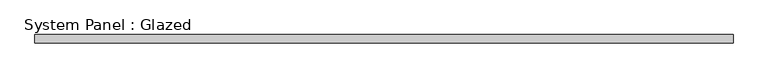
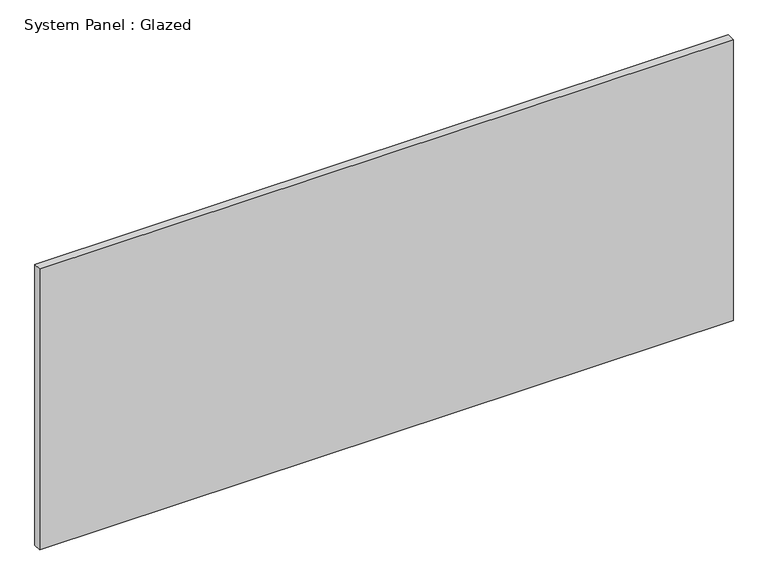
"""IFC4 building model written with IfcOpenShell, lengths in millimetres: plate geometry, System Panel : Glazed."""

import ifcopenshell
import ifcopenshell.guid

model = None  # the IFC model being written
_history = None  # IfcOwnerHistory: only IFC2X3 demands one
_inside = {}  # id of a spatial element -> (the spatial element, [elements in it])
_under = {}  # id of a project, library or spatial element -> (it, [spatial elements below it])
_declared = {}  # id of a project -> (the project, [libraries it declares])
_typed = {}  # id of a type object -> (the type object, [elements of that type])
_made_of = {}  # id of a material, layer set ... -> (it, [elements and type objects made of it])


def new_model(schema):
    """Start an empty IFC model of exactly this schema.

    Asked for "IFC4X3", IfcOpenShell would pick the latest addendum, in which some entities
    have other attributes; the version numbers below select the first issue.
    IFC2X3 requires an IfcOwnerHistory on every rooted entity: one is made here for all.
    """
    global model, _history
    if schema == "IFC4X3":
        model = ifcopenshell.file(schema_version=(4, 3, 0, 0))
    else:
        model = ifcopenshell.file(schema=schema)
    _inside.clear()
    _under.clear()
    _declared.clear()
    _typed.clear()
    _made_of.clear()
    _history = None
    if model.schema == "IFC2X3":
        org = make("IfcOrganization", Name="unknown")
        user = make(
            "IfcPersonAndOrganization",
            ThePerson=make("IfcPerson", FamilyName="unknown"),
            TheOrganization=org,
        )
        app = make(
            "IfcApplication",
            ApplicationDeveloper=org,
            Version="unknown",
            ApplicationFullName="unknown",
            ApplicationIdentifier="unknown",
        )
        _history = make(
            "IfcOwnerHistory",
            OwningUser=user,
            OwningApplication=app,
            ChangeAction="ADDED",
            CreationDate=0,
        )
    return model


def make(cls, **values):
    """One entity of the class cls with the attributes given. An attribute that is None is left unset."""
    return model.create_entity(
        cls, **{name: value for name, value in values.items() if value is not None}
    )


def rooted(cls, **values):
    """An entity with a GlobalId (a new one), such as an element, a storey or a relation."""
    return make(cls, GlobalId=ifcopenshell.guid.new(), OwnerHistory=_history, **values)


def si_unit(unit_type, name, prefix=None):
    """IfcSIUnit, for example si_unit("LENGTHUNIT", "METRE", prefix="MILLI")."""
    return make("IfcSIUnit", UnitType=unit_type, Prefix=prefix, Name=name)


def assignment(units):
    """IfcUnitAssignment: the units of a project."""
    return None if units is None else make("IfcUnitAssignment", Units=units)


def point(xyz):
    """IfcCartesianPoint."""
    return None if xyz is None else make("IfcCartesianPoint", Coordinates=xyz)


def direction(xyz):
    """IfcDirection."""
    return None if xyz is None else make("IfcDirection", DirectionRatios=xyz)


def frame(location, z_axis=None, x_axis=None):
    """IfcAxis2Placement3D, a coordinate frame: its origin and axes. An axis left out is left unset."""
    return make(
        "IfcAxis2Placement3D",
        Location=point(location),
        Axis=direction(z_axis),
        RefDirection=direction(x_axis),
    )


def origin():
    """The frame at (0, 0, 0) with its axes left unset."""
    return frame((0.0, 0.0, 0.0))


def origin_with_axes():
    """The frame at (0, 0, 0) with the z axis (0, 0, 1) and the x axis (1, 0, 0) written out."""
    return frame((0.0, 0.0, 0.0), z_axis=(0.0, 0.0, 1.0), x_axis=(1.0, 0.0, 0.0))


def place(relative_to, where):
    """IfcLocalPlacement: puts the frame where relative to a parent placement (None: the world)."""
    return make(
        "IfcLocalPlacement", PlacementRelTo=relative_to, RelativePlacement=where
    )


def context(
    kind, dimensions, precision=None, world=None, true_north=None, identifier=None
):
    """IfcGeometricRepresentationContext, for example the 3D "Model" context."""
    return make(
        "IfcGeometricRepresentationContext",
        ContextIdentifier=identifier,
        ContextType=kind,
        CoordinateSpaceDimension=dimensions,
        Precision=precision,
        WorldCoordinateSystem=world,
        TrueNorth=true_north,
    )


def project(units=None, contexts=None):
    """IfcProject with its units and contexts."""
    return rooted(
        "IfcProject",
        Name="project",
        RepresentationContexts=contexts,
        UnitsInContext=assignment(units),
    )


def spatial(cls, under=None, at=None, **own):
    """A site, building, storey or space (cls), placed at a placement, below another one or the project."""
    s = rooted(cls, ObjectPlacement=at, **own)
    if under is not None:
        _under.setdefault(under.id(), (under, []))[1].append(s)
    return s


def polyline(points):
    """IfcPolyline through the points."""
    return make("IfcPolyline", Points=[point(p) for p in points])


def outline(outer, holes=None, kind="AREA"):
    """IfcArbitraryClosedProfileDef: a profile drawn as a closed curve; with holes, ...WithVoids."""
    if holes is None:
        return make("IfcArbitraryClosedProfileDef", ProfileType=kind, OuterCurve=outer)
    return make(
        "IfcArbitraryProfileDefWithVoids",
        ProfileType=kind,
        OuterCurve=outer,
        InnerCurves=holes,
    )


def extrude(swept, where, along, depth):
    """IfcExtrudedAreaSolid: the profile swept, set in the frame where, extruded along a direction by depth."""
    return make(
        "IfcExtrudedAreaSolid",
        SweptArea=swept,
        Position=where,
        ExtrudedDirection=direction(along),
        Depth=depth,
    )


def shape(context_of_items, identifier, shape_type, items):
    """IfcShapeRepresentation: the items that make up one representation, for example the "Body"."""
    return make(
        "IfcShapeRepresentation",
        ContextOfItems=context_of_items,
        RepresentationIdentifier=identifier,
        RepresentationType=shape_type,
        Items=items,
    )


def source(mapping_origin, context_of_items, identifier, shape_type, items):
    """IfcRepresentationMap: a shape defined once, which mapped items show again and again."""
    return make(
        "IfcRepresentationMap",
        MappingOrigin=mapping_origin,
        MappedRepresentation=shape(context_of_items, identifier, shape_type, items),
    )


def transform(
    local_origin,
    x_axis=None,
    y_axis=None,
    z_axis=None,
    scale=None,
    scale2=None,
    scale3=None,
    uniform=True,
):
    """IfcCartesianTransformationOperator3D, or its non-uniform kind. x_axis, y_axis, z_axis: its Axis1, 2, 3."""
    if uniform:
        return make(
            "IfcCartesianTransformationOperator3D",
            Axis1=direction(x_axis),
            Axis2=direction(y_axis),
            LocalOrigin=point(local_origin),
            Scale=scale,
            Axis3=direction(z_axis),
        )
    return make(
        "IfcCartesianTransformationOperator3DnonUniform",
        Axis1=direction(x_axis),
        Axis2=direction(y_axis),
        LocalOrigin=point(local_origin),
        Scale=scale,
        Axis3=direction(z_axis),
        Scale2=scale2,
        Scale3=scale3,
    )


def mapped(mapping_source, mapping_target):
    """IfcMappedItem: shows the shape of a source again, moved by a transform."""
    return make(
        "IfcMappedItem", MappingSource=mapping_source, MappingTarget=mapping_target
    )


def made_of(thing, what):
    """Note that an element or type object is made of a material, layer set ...; save() writes the relation."""
    if what is not None:
        _made_of.setdefault(what.id(), (what, []))[1].append(thing)
    return thing


def element(
    cls,
    number,
    at=None,
    inside=None,
    cuts=None,
    type_object=None,
    material=None,
    context=None,
    identifier="Body",
    shape_type=None,
    held_by="IfcProductDefinitionShape",
    body=None,
    shapes=None,
    **own,
):
    """One element of the class cls, such as IfcWall. Its Tag is "e" and its number.

    at: its placement. inside: the storey or other place that contains it. cuts: it is an
    opening in that element (IfcRelVoidsElement). A single representation is given by context,
    identifier, shape_type and body (its items); several are given by shapes. held_by: the class
    of the entity that holds the representations. save() writes the other relations.
    """
    e = rooted(cls, Tag="e%d" % number, ObjectPlacement=at, **own)
    if body is not None:
        shapes = [shape(context, identifier, shape_type, body)]
    if shapes is not None:
        e.Representation = make(held_by, Representations=shapes)
    if inside is not None:
        _inside.setdefault(inside.id(), (inside, []))[1].append(e)
    if cuts is not None:
        rooted(
            "IfcRelVoidsElement", RelatingBuildingElement=cuts, RelatedOpeningElement=e
        )
    if type_object is not None:
        _typed.setdefault(type_object.id(), (type_object, []))[1].append(e)
    return made_of(e, material)


def aggregate(whole, parts):
    """IfcRelAggregates: a whole, such as a stair, and the parts it consists of."""
    return rooted("IfcRelAggregates", RelatingObject=whole, RelatedObjects=parts)


def save(model, path):
    """Write the relations noted so far, then the file.

    IfcRelAggregates (storeys below a building ...), IfcRelContainedInSpatialStructure (elements
    in a storey), IfcRelDefinesByType, IfcRelAssociatesMaterial and IfcRelDeclares: one each for
    every whole, place, type object, material and project.
    """
    for whole, parts in _under.values():
        aggregate(whole, parts)
    for where, things in _inside.values():
        rooted(
            "IfcRelContainedInSpatialStructure",
            RelatedElements=things,
            RelatingStructure=where,
        )
    for kind, things in _typed.values():
        rooted("IfcRelDefinesByType", RelatedObjects=things, RelatingType=kind)
    for what, things in _made_of.values():
        rooted("IfcRelAssociatesMaterial", RelatedObjects=things, RelatingMaterial=what)
    for by, libraries in _declared.values():
        rooted("IfcRelDeclares", RelatingContext=by, RelatedDefinitions=libraries)
    model.write(path)


def system_panel_glazed_bddd8cc5(model_context):
    return source(origin(), model_context, "Body", "SweptSolid", [
        extrude(outline(polyline([(1050.0, 24.5), (-1050.0, 24.5), (-1050.0, 49.5), (1050.0, 49.5), (1050.0, 24.5)])), origin_with_axes(), (0.0, 0.0, 1.0), 900.0),
    ])


if __name__ == "__main__":
    model = new_model("IFC4")
    model_context = context("Model", 3, world=origin())
    ifc_project = project(units=[si_unit("LENGTHUNIT", "METRE", prefix="MILLI")], contexts=[model_context])
    site = spatial("IfcSite", under=ifc_project)
    building = spatial("IfcBuilding", under=site)
    placement = place(None, origin())
    system_panel_glazed_shape = system_panel_glazed_bddd8cc5(model_context)
    element("IfcPlate", 1, ObjectType="System Panel : Glazed", at=placement, inside=building, context=model_context, shape_type="MappedRepresentation", body=[
        mapped(system_panel_glazed_shape, transform((0.0, 0.0, 0.0), x_axis=(1.0, 0.0, 0.0), y_axis=(0.0, 1.0, 0.0), z_axis=(0.0, 0.0, 1.0))),
    ])
    save(model, "model.ifc")
